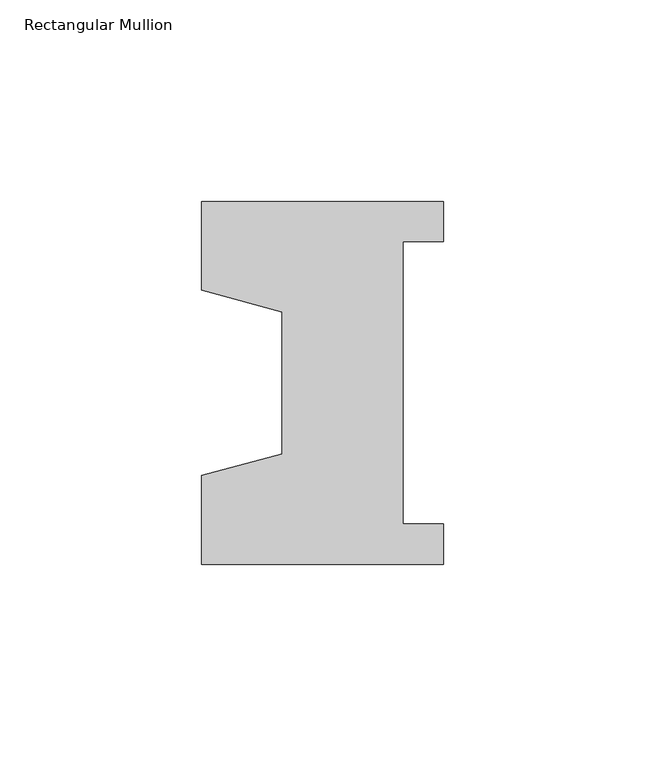
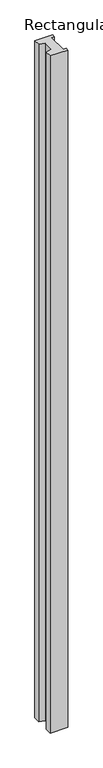
"""IFC4 building model written with IfcOpenShell, lengths in millimetres: member geometry, Rectangular Mullion."""

from ifc_helpers import new_model, si_unit, frame, origin, place, context, project, spatial, polyline, outline, extrude, source, transform, mapped, element, save


def rectangular_mullion_2df5fdd8(model_context):
    return source(origin(), model_context, "Body", "SweptSolid", [
        extrude(outline(polyline([(-60.0, 45.0), (0.0, 45.0), (0.0, 35.0), (-10.0, 35.0), (-10.0, -35.0), (0.0, -35.0), (0.0, -45.0), (-60.0, -45.0), (-60.0, -22.9993165), (-40.0, -17.6401049), (-40.0, 17.6401049), (-60.0, 22.9993165), (-60.0, 45.0)])), frame((0.0, 0.0, -2427.0), z_axis=(0.0, 0.0, 1.0), x_axis=(1.0, 0.0, 0.0)), (0.0, 0.0, 1.0), 2427.0),
    ])


if __name__ == "__main__":
    model = new_model("IFC4")
    model_context = context("Model", 3, world=origin())
    ifc_project = project(units=[si_unit("LENGTHUNIT", "METRE", prefix="MILLI")], contexts=[model_context])
    site = spatial("IfcSite", under=ifc_project)
    building = spatial("IfcBuilding", under=site)
    placement = place(None, origin())
    rectangular_mullion_shape = rectangular_mullion_2df5fdd8(model_context)
    element("IfcMember", 1, ObjectType="Rectangular Mullion", at=placement, inside=building, context=model_context, shape_type="MappedRepresentation", body=[
        mapped(rectangular_mullion_shape, transform((0.0, 0.0, 0.0), x_axis=(1.0, 0.0, 0.0), y_axis=(0.0, 1.0, 0.0), z_axis=(0.0, 0.0, 1.0))),
    ])
    save(model, "model.ifc")
